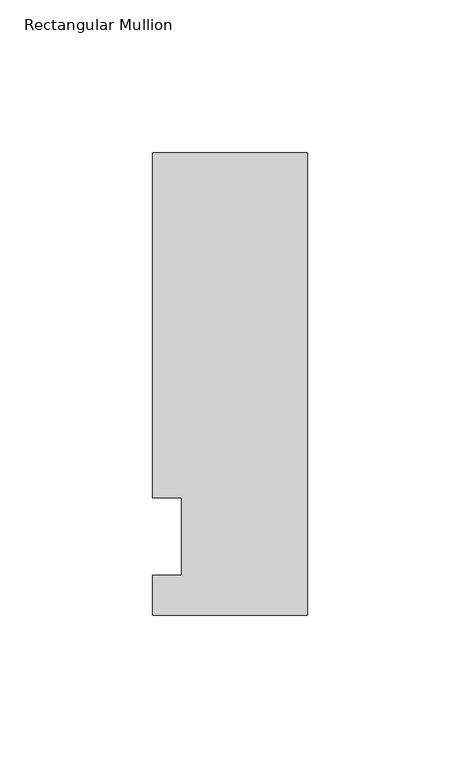
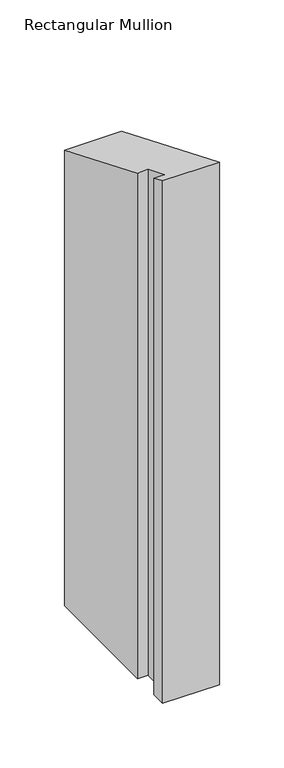
"""IFC4 building model written with IfcOpenShell, lengths in millimetres: member geometry, Rectangular Mullion."""

from ifc_helpers import new_model, si_unit, origin, place, context, project, spatial, faceted_brep, source, transform, mapped, element, save


def rectangular_mullion_8c48816e(model_context):
    return source(origin(), model_context, "Body", "Brep", [
        faceted_brep([(-50.8, -25.7961253, -482.6), (-50.8, -12.7, -482.6), (-41.275, -12.7, -482.6), (-41.275, 12.7, -482.6), (-50.8, 12.7, -482.6), (-50.8, 125.8036906, -482.6), (0.0, 125.8036906, -482.6), (0.0, -25.7961253, -482.6), (0.0, -25.7961253, 10.685105), (-50.8, -25.7961253, 10.685105), (0.0, 125.8036906, -52.1095948), (-50.8, 125.8036906, -52.1095948), (-50.8, 12.7, -5.2605122), (-41.275, 12.7, -5.2605122), (-41.275, -12.7, 5.2605122), (-50.8, -12.7, 5.2605122)], [[[0, 1, 2, 3, 4, 5, 6, 7]], [[8, 9, 0, 7]], [[10, 8, 7, 6]], [[11, 10, 6, 5]], [[12, 11, 5, 4]], [[13, 12, 4, 3]], [[14, 13, 3, 2]], [[15, 14, 2, 1]], [[9, 15, 1, 0]], [[9, 8, 10, 11, 12, 13, 14, 15]]]),
    ])


if __name__ == "__main__":
    model = new_model("IFC4")
    model_context = context("Model", 3, world=origin())
    ifc_project = project(units=[si_unit("LENGTHUNIT", "METRE", prefix="MILLI")], contexts=[model_context])
    site = spatial("IfcSite", under=ifc_project)
    building = spatial("IfcBuilding", under=site)
    placement = place(None, origin())
    rectangular_mullion_shape = rectangular_mullion_8c48816e(model_context)
    element("IfcMember", 1, ObjectType="Rectangular Mullion", at=placement, inside=building, context=model_context, shape_type="MappedRepresentation", body=[
        mapped(rectangular_mullion_shape, transform((0.0, 0.0, 0.0), x_axis=(1.0, 0.0, 0.0), y_axis=(0.0, 1.0, 0.0), z_axis=(0.0, 0.0, 1.0))),
    ])
    save(model, "model.ifc")
